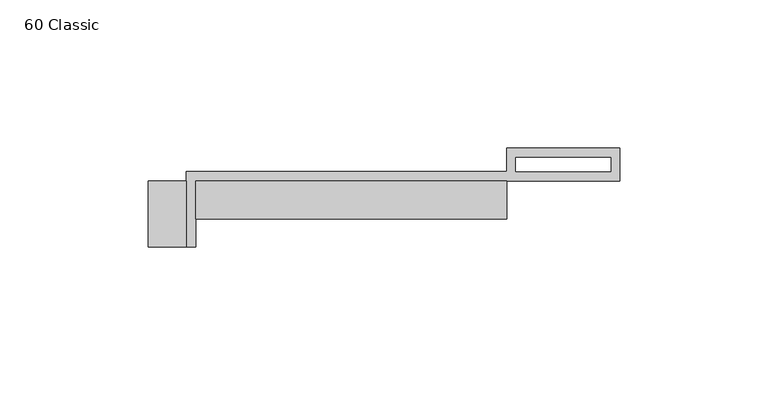
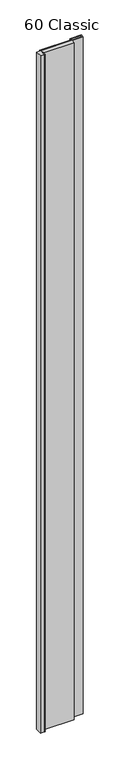
"""IFC4 building model written with IfcOpenShell, lengths in millimetres: proxy geometry, 60 Classic."""

import ifcopenshell
import ifcopenshell.guid

model = None  # the IFC model being written
_history = None  # IfcOwnerHistory: only IFC2X3 demands one
_inside = {}  # id of a spatial element -> (the spatial element, [elements in it])
_under = {}  # id of a project, library or spatial element -> (it, [spatial elements below it])
_declared = {}  # id of a project -> (the project, [libraries it declares])
_typed = {}  # id of a type object -> (the type object, [elements of that type])
_made_of = {}  # id of a material, layer set ... -> (it, [elements and type objects made of it])


def new_model(schema):
    """Start an empty IFC model of exactly this schema.

    Asked for "IFC4X3", IfcOpenShell would pick the latest addendum, in which some entities
    have other attributes; the version numbers below select the first issue.
    IFC2X3 requires an IfcOwnerHistory on every rooted entity: one is made here for all.
    """
    global model, _history
    if schema == "IFC4X3":
        model = ifcopenshell.file(schema_version=(4, 3, 0, 0))
    else:
        model = ifcopenshell.file(schema=schema)
    _inside.clear()
    _under.clear()
    _declared.clear()
    _typed.clear()
    _made_of.clear()
    _history = None
    if model.schema == "IFC2X3":
        org = make("IfcOrganization", Name="unknown")
        user = make(
            "IfcPersonAndOrganization",
            ThePerson=make("IfcPerson", FamilyName="unknown"),
            TheOrganization=org,
        )
        app = make(
            "IfcApplication",
            ApplicationDeveloper=org,
            Version="unknown",
            ApplicationFullName="unknown",
            ApplicationIdentifier="unknown",
        )
        _history = make(
            "IfcOwnerHistory",
            OwningUser=user,
            OwningApplication=app,
            ChangeAction="ADDED",
            CreationDate=0,
        )
    return model


def make(cls, **values):
    """One entity of the class cls with the attributes given. An attribute that is None is left unset."""
    return model.create_entity(
        cls, **{name: value for name, value in values.items() if value is not None}
    )


def rooted(cls, **values):
    """An entity with a GlobalId (a new one), such as an element, a storey or a relation."""
    return make(cls, GlobalId=ifcopenshell.guid.new(), OwnerHistory=_history, **values)


def si_unit(unit_type, name, prefix=None):
    """IfcSIUnit, for example si_unit("LENGTHUNIT", "METRE", prefix="MILLI")."""
    return make("IfcSIUnit", UnitType=unit_type, Prefix=prefix, Name=name)


def assignment(units):
    """IfcUnitAssignment: the units of a project."""
    return None if units is None else make("IfcUnitAssignment", Units=units)


def point(xyz):
    """IfcCartesianPoint."""
    return None if xyz is None else make("IfcCartesianPoint", Coordinates=xyz)


def direction(xyz):
    """IfcDirection."""
    return None if xyz is None else make("IfcDirection", DirectionRatios=xyz)


def frame(location, z_axis=None, x_axis=None):
    """IfcAxis2Placement3D, a coordinate frame: its origin and axes. An axis left out is left unset."""
    return make(
        "IfcAxis2Placement3D",
        Location=point(location),
        Axis=direction(z_axis),
        RefDirection=direction(x_axis),
    )


def origin():
    """The frame at (0, 0, 0) with its axes left unset."""
    return frame((0.0, 0.0, 0.0))


def origin_with_axes():
    """The frame at (0, 0, 0) with the z axis (0, 0, 1) and the x axis (1, 0, 0) written out."""
    return frame((0.0, 0.0, 0.0), z_axis=(0.0, 0.0, 1.0), x_axis=(1.0, 0.0, 0.0))


def place(relative_to, where):
    """IfcLocalPlacement: puts the frame where relative to a parent placement (None: the world)."""
    return make(
        "IfcLocalPlacement", PlacementRelTo=relative_to, RelativePlacement=where
    )


def context(
    kind, dimensions, precision=None, world=None, true_north=None, identifier=None
):
    """IfcGeometricRepresentationContext, for example the 3D "Model" context."""
    return make(
        "IfcGeometricRepresentationContext",
        ContextIdentifier=identifier,
        ContextType=kind,
        CoordinateSpaceDimension=dimensions,
        Precision=precision,
        WorldCoordinateSystem=world,
        TrueNorth=true_north,
    )


def project(units=None, contexts=None):
    """IfcProject with its units and contexts."""
    return rooted(
        "IfcProject",
        Name="project",
        RepresentationContexts=contexts,
        UnitsInContext=assignment(units),
    )


def spatial(cls, under=None, at=None, **own):
    """A site, building, storey or space (cls), placed at a placement, below another one or the project."""
    s = rooted(cls, ObjectPlacement=at, **own)
    if under is not None:
        _under.setdefault(under.id(), (under, []))[1].append(s)
    return s


def polyline(points):
    """IfcPolyline through the points."""
    return make("IfcPolyline", Points=[point(p) for p in points])


def outline(outer, holes=None, kind="AREA"):
    """IfcArbitraryClosedProfileDef: a profile drawn as a closed curve; with holes, ...WithVoids."""
    if holes is None:
        return make("IfcArbitraryClosedProfileDef", ProfileType=kind, OuterCurve=outer)
    return make(
        "IfcArbitraryProfileDefWithVoids",
        ProfileType=kind,
        OuterCurve=outer,
        InnerCurves=holes,
    )


def extrude(swept, where, along, depth):
    """IfcExtrudedAreaSolid: the profile swept, set in the frame where, extruded along a direction by depth."""
    return make(
        "IfcExtrudedAreaSolid",
        SweptArea=swept,
        Position=where,
        ExtrudedDirection=direction(along),
        Depth=depth,
    )


def shape(context_of_items, identifier, shape_type, items):
    """IfcShapeRepresentation: the items that make up one representation, for example the "Body"."""
    return make(
        "IfcShapeRepresentation",
        ContextOfItems=context_of_items,
        RepresentationIdentifier=identifier,
        RepresentationType=shape_type,
        Items=items,
    )


def source(mapping_origin, context_of_items, identifier, shape_type, items):
    """IfcRepresentationMap: a shape defined once, which mapped items show again and again."""
    return make(
        "IfcRepresentationMap",
        MappingOrigin=mapping_origin,
        MappedRepresentation=shape(context_of_items, identifier, shape_type, items),
    )


def transform(
    local_origin,
    x_axis=None,
    y_axis=None,
    z_axis=None,
    scale=None,
    scale2=None,
    scale3=None,
    uniform=True,
):
    """IfcCartesianTransformationOperator3D, or its non-uniform kind. x_axis, y_axis, z_axis: its Axis1, 2, 3."""
    if uniform:
        return make(
            "IfcCartesianTransformationOperator3D",
            Axis1=direction(x_axis),
            Axis2=direction(y_axis),
            LocalOrigin=point(local_origin),
            Scale=scale,
            Axis3=direction(z_axis),
        )
    return make(
        "IfcCartesianTransformationOperator3DnonUniform",
        Axis1=direction(x_axis),
        Axis2=direction(y_axis),
        LocalOrigin=point(local_origin),
        Scale=scale,
        Axis3=direction(z_axis),
        Scale2=scale2,
        Scale3=scale3,
    )


def mapped(mapping_source, mapping_target):
    """IfcMappedItem: shows the shape of a source again, moved by a transform."""
    return make(
        "IfcMappedItem", MappingSource=mapping_source, MappingTarget=mapping_target
    )


def made_of(thing, what):
    """Note that an element or type object is made of a material, layer set ...; save() writes the relation."""
    if what is not None:
        _made_of.setdefault(what.id(), (what, []))[1].append(thing)
    return thing


def element(
    cls,
    number,
    at=None,
    inside=None,
    cuts=None,
    type_object=None,
    material=None,
    context=None,
    identifier="Body",
    shape_type=None,
    held_by="IfcProductDefinitionShape",
    body=None,
    shapes=None,
    **own,
):
    """One element of the class cls, such as IfcWall. Its Tag is "e" and its number.

    at: its placement. inside: the storey or other place that contains it. cuts: it is an
    opening in that element (IfcRelVoidsElement). A single representation is given by context,
    identifier, shape_type and body (its items); several are given by shapes. held_by: the class
    of the entity that holds the representations. save() writes the other relations.
    """
    e = rooted(cls, Tag="e%d" % number, ObjectPlacement=at, **own)
    if body is not None:
        shapes = [shape(context, identifier, shape_type, body)]
    if shapes is not None:
        e.Representation = make(held_by, Representations=shapes)
    if inside is not None:
        _inside.setdefault(inside.id(), (inside, []))[1].append(e)
    if cuts is not None:
        rooted(
            "IfcRelVoidsElement", RelatingBuildingElement=cuts, RelatedOpeningElement=e
        )
    if type_object is not None:
        _typed.setdefault(type_object.id(), (type_object, []))[1].append(e)
    return made_of(e, material)


def aggregate(whole, parts):
    """IfcRelAggregates: a whole, such as a stair, and the parts it consists of."""
    return rooted("IfcRelAggregates", RelatingObject=whole, RelatedObjects=parts)


def save(model, path):
    """Write the relations noted so far, then the file.

    IfcRelAggregates (storeys below a building ...), IfcRelContainedInSpatialStructure (elements
    in a storey), IfcRelDefinesByType, IfcRelAssociatesMaterial and IfcRelDeclares: one each for
    every whole, place, type object, material and project.
    """
    for whole, parts in _under.values():
        aggregate(whole, parts)
    for where, things in _inside.values():
        rooted(
            "IfcRelContainedInSpatialStructure",
            RelatedElements=things,
            RelatingStructure=where,
        )
    for kind, things in _typed.values():
        rooted("IfcRelDefinesByType", RelatedObjects=things, RelatingType=kind)
    for what, things in _made_of.values():
        rooted("IfcRelAssociatesMaterial", RelatedObjects=things, RelatingMaterial=what)
    for by, libraries in _declared.values():
        rooted("IfcRelDeclares", RelatingContext=by, RelatedDefinitions=libraries)
    model.write(path)


def proxy_60_classic_6b2b1b8d(model_context):
    return source(origin(), model_context, "Body", "SweptSolid", [
        extrude(outline(polyline([(-107.95, 0.0), (-107.95, -22.225), (-120.65, -22.225), (-120.65, 0.0), (-107.95, 0.0)])), origin_with_axes(), (0.0, 0.0, 1.0), 2438.4),
        extrude(outline(polyline([(0.0, 0.0), (0.0, -12.7), (-104.775, -12.7), (-104.775, 0.0), (0.0, 0.0)])), origin_with_axes(), (0.0, 0.0, 1.0), 2438.4),
        extrude(outline(polyline([(-107.95, -22.225), (-107.95, 3.175), (0.0, 3.175), (0.0, 11.1125), (38.1, 11.1125), (38.1, 0.0), (-104.775, 0.0), (-104.775, -22.225), (-107.95, -22.225)]), holes=[polyline([(3.175, 3.175), (35.1499571, 3.175), (35.1499571, 7.9375), (3.175, 7.9375), (3.175, 3.175)])]), origin_with_axes(), (0.0, 0.0, 1.0), 2438.4),
    ])


if __name__ == "__main__":
    model = new_model("IFC4")
    model_context = context("Model", 3, world=origin())
    ifc_project = project(units=[si_unit("LENGTHUNIT", "METRE", prefix="MILLI")], contexts=[model_context])
    site = spatial("IfcSite", under=ifc_project)
    building = spatial("IfcBuilding", under=site)
    placement = place(None, origin())
    proxy_60_classic_shape = proxy_60_classic_6b2b1b8d(model_context)
    element("IfcBuildingElementProxy", 1, Name="60 Classic", ObjectType="60 Classic", at=placement, inside=building, context=model_context, shape_type="MappedRepresentation", body=[
        mapped(proxy_60_classic_shape, transform((0.0, 0.0, 0.0), x_axis=(1.0, 0.0, 0.0), y_axis=(0.0, 1.0, 0.0), z_axis=(0.0, 0.0, 1.0))),
    ])
    save(model, "model.ifc")
